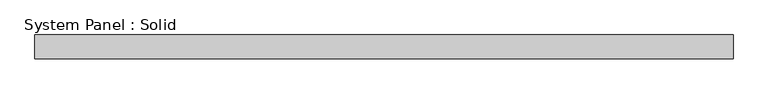
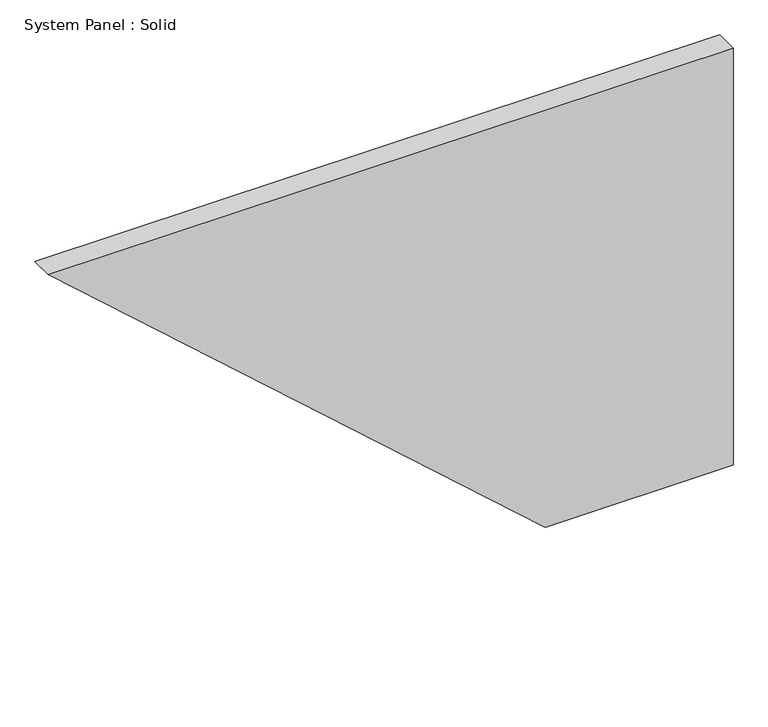
"""IFC4 building model written with IfcOpenShell, lengths in millimetres: plate geometry, System Panel : Solid."""

from ifc_helpers import new_model, si_unit, frame, origin, place, context, project, spatial, polyline, outline, extrude, source, transform, mapped, element, save


def system_panel_solid_d39dfb97(model_context):
    return source(origin(), model_context, "Body", "SweptSolid", [
        extrude(outline(polyline([(0.0, 399.8199762), (0.0, 885.1283216), (1140.0, 885.1283216), (1140.0, -885.1283216), (0.0, 399.8199762)])), frame((0.0, -10.5, 0.0), z_axis=(0.0, 1.0, 0.0), x_axis=(0.0, 0.0, 1.0)), (0.0, 0.0, 1.0), 60.0),
    ])


if __name__ == "__main__":
    model = new_model("IFC4")
    model_context = context("Model", 3, world=origin())
    ifc_project = project(units=[si_unit("LENGTHUNIT", "METRE", prefix="MILLI")], contexts=[model_context])
    site = spatial("IfcSite", under=ifc_project)
    building = spatial("IfcBuilding", under=site)
    placement = place(None, origin())
    system_panel_solid_shape = system_panel_solid_d39dfb97(model_context)
    element("IfcPlate", 1, ObjectType="System Panel : Solid", at=placement, inside=building, context=model_context, shape_type="MappedRepresentation", body=[
        mapped(system_panel_solid_shape, transform((0.0, 0.0, 0.0), x_axis=(1.0, 0.0, 0.0), y_axis=(0.0, 1.0, 0.0), z_axis=(0.0, 0.0, 1.0))),
    ])
    save(model, "model.ifc")
